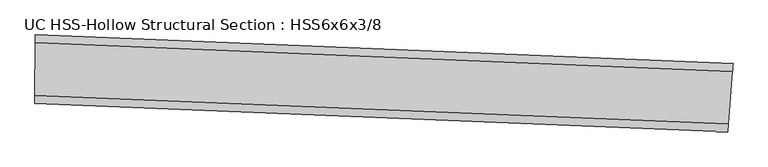
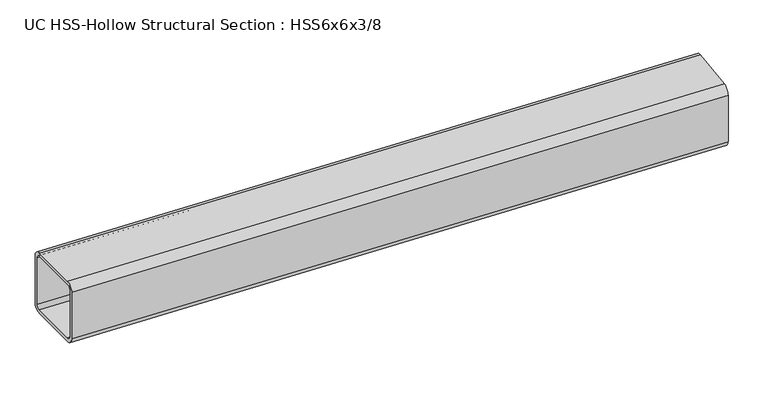
"""IFC4 building model written with IfcOpenShell, lengths in millimetres: beam geometry, UC HSS-Hollow Structural Section : HSS6x6x3/8."""

from ifc_helpers import new_model, si_unit, point, frame, origin, place, context, project, spatial, polyline, circle_curve, ellipse_curve, trimmed, source, transform, mapped, element, save
from ifc_brep_helpers import plane_surface, cylinder_surface, revolved_surface, advanced_brep


def uc_hss_hollow_structural_section_hss6x6x3_8_9d5a3dbd(model_context):
    return source(origin(), model_context, "Body", "AdvancedBrep", [
        advanced_brep(
        [(1618.15349, 12.2216797, 58.4708), (1616.7537291, -5.4521767, 76.2), (1607.5209218, -122.0287313, 76.2), (1606.1211608, -139.7025878, 58.4708), (1606.1211608, -139.7025878, -58.4708), (1607.5209218, -122.0287313, -76.2), (1616.7537291, -5.4521767, -76.2), (1618.15349, 12.2216797, -58.4708), (1607.5209218, -122.0287313, 67.3354), (1616.7537291, -5.4521767, 67.3354), (1617.4536095, 3.3847515, 58.4708), (1617.4536095, 3.3847515, -58.4708), (1616.7537291, -5.4521767, -67.3354), (1607.5209218, -122.0287313, -67.3354), (1606.8210413, -130.8656596, -58.4708), (1606.8210413, -130.8656596, 58.4708), (73.5028473, 76.0681972, 58.4708), (73.5028473, 76.0681972, -58.4708), (73.4392647, 58.3391112, -76.2), (73.0198745, -58.6017368, -76.2), (72.9562919, -76.3308228, -58.4708), (72.9562919, -76.3308228, 58.4708), (73.0198745, -58.6017368, 76.2), (73.4392647, 58.3391112, 76.2), (73.0198745, -58.6017368, 67.3354), (72.9880832, -67.4662798, 58.4708), (72.9880832, -67.4662798, -58.4708), (73.0198745, -58.6017368, -67.3354), (73.4392647, 58.3391112, -67.3354), (73.471056, 67.2036542, -58.4708), (73.471056, 67.2036542, 58.4708), (73.4392647, 58.3391112, 67.3354)],
        [
            (0, 1, circle_curve(frame((1616.7537291, -5.4521767, 58.4708), z_axis=(0.9968783956489994, -0.07895229121613344, 0.0), x_axis=(-0.07895229121613344, -0.9968783956489994, 0.0)), 17.7292)),
            (1, 2),
            (2, 3, circle_curve(frame((1607.5209218, -122.0287313, 58.4708), z_axis=(0.9968783956489994, -0.07895229121613344, 0.0), x_axis=(-0.07895229121613344, -0.9968783956489994, 0.0)), 17.7292)),
            (3, 4),
            (4, 5, circle_curve(frame((1607.5209218, -122.0287313, -58.4708), z_axis=(0.9968783956489994, -0.07895229121613344, 0.0), x_axis=(-0.07895229121613344, -0.9968783956489994, 0.0)), 17.7292)),
            (5, 6),
            (6, 7, circle_curve(frame((1616.7537291, -5.4521767, -58.4708), z_axis=(0.9968783956489994, -0.07895229121613344, 0.0), x_axis=(-0.07895229121613344, -0.9968783956489994, 0.0)), 17.7292)),
            (7, 0),
            (8, 9),
            (9, 10, circle_curve(frame((1616.7537291, -5.4521767, 58.4708), z_axis=(-0.9968783956489994, 0.07895229121613344, 0.0), x_axis=(-0.07895229121613344, -0.9968783956489994, 0.0)), 8.8646)),
            (10, 11),
            (11, 12, circle_curve(frame((1616.7537291, -5.4521767, -58.4708), z_axis=(-0.9968783956489994, 0.07895229121613344, 0.0), x_axis=(-0.07895229121613344, -0.9968783956489994, 0.0)), 8.8646)),
            (12, 13),
            (13, 14, circle_curve(frame((1607.5209218, -122.0287313, -58.4708), z_axis=(-0.9968783956489994, 0.07895229121613344, 0.0), x_axis=(-0.07895229121613344, -0.9968783956489994, 0.0)), 8.8646)),
            (14, 15),
            (15, 8, circle_curve(frame((1607.5209218, -122.0287313, 58.4708), z_axis=(-0.9968783956489994, 0.07895229121613344, 0.0), x_axis=(-0.07895229121613344, -0.9968783956489994, 0.0)), 8.8646)),
            (16, 17),
            (17, 18, circle_curve(frame((73.4392647, 58.3391112, -58.4708), z_axis=(-0.9999935691293671, 0.0035863212223408436, 0.0), x_axis=(-0.0035863212223408436, -0.9999935691293671, 0.0)), 17.7292)),
            (18, 19),
            (19, 20, circle_curve(frame((73.0198745, -58.6017368, -58.4708), z_axis=(-0.9999935691293671, 0.0035863212223408436, 0.0), x_axis=(-0.0035863212223408436, -0.9999935691293671, 0.0)), 17.7292)),
            (20, 21),
            (21, 22, circle_curve(frame((73.0198745, -58.6017368, 58.4708), z_axis=(-0.9999935691293671, 0.0035863212223408436, 0.0), x_axis=(-0.0035863212223408436, -0.9999935691293671, 0.0)), 17.7292)),
            (22, 23),
            (23, 16, circle_curve(frame((73.4392647, 58.3391112, 58.4708), z_axis=(-0.9999935691293671, 0.0035863212223408436, 0.0), x_axis=(-0.0035863212223408436, -0.9999935691293671, 0.0)), 17.7292)),
            (24, 25, circle_curve(frame((73.0198745, -58.6017368, 58.4708), z_axis=(0.9999935691293671, -0.0035863212223408436, 0.0), x_axis=(-0.0035863212223408436, -0.9999935691293671, 0.0)), 8.8646)),
            (25, 26),
            (26, 27, circle_curve(frame((73.0198745, -58.6017368, -58.4708), z_axis=(0.9999935691293671, -0.0035863212223408436, 0.0), x_axis=(-0.0035863212223408436, -0.9999935691293671, 0.0)), 8.8646)),
            (27, 28),
            (28, 29, circle_curve(frame((73.4392647, 58.3391112, -58.4708), z_axis=(0.9999935691293671, -0.0035863212223408436, 0.0), x_axis=(-0.0035863212223408436, -0.9999935691293671, 0.0)), 8.8646)),
            (29, 30),
            (30, 31, circle_curve(frame((73.4392647, 58.3391112, 58.4708), z_axis=(0.9999935691293671, -0.0035863212223408436, 0.0), x_axis=(-0.0035863212223408436, -0.9999935691293671, 0.0)), 8.8646)),
            (31, 24),
            (0, 16, circle_curve(frame((0.0, -20419.1328788, 58.4708), z_axis=(0.0, 0.0, 1.0), x_axis=(-0.09625855551847158, -0.9953563635650788, 0.0)), 20495.3328788)),
            (23, 1, circle_curve(frame((0.0, -20419.1328788, 76.2), z_axis=(0.0, 0.0, -1.0), x_axis=(-0.09625855551847158, -0.9953563635650788, 0.0)), 20477.6036788)),
            (22, 2, circle_curve(frame((0.0, -20419.1328788, 76.2), z_axis=(0.0, 0.0, -1.0), x_axis=(-0.09625855551847158, -0.9953563635650788, 0.0)), 20360.6620788)),
            (21, 3, circle_curve(frame((0.0, -20419.1328788, 58.4708), z_axis=(0.0, 0.0, -1.0), x_axis=(-0.09625855551847158, -0.9953563635650788, 0.0)), 20342.9328788)),
            (20, 4, circle_curve(frame((0.0, -20419.1328788, -58.4708), z_axis=(0.0, 0.0, -1.0), x_axis=(-0.09625855551847158, -0.9953563635650788, 0.0)), 20342.9328788)),
            (19, 5, circle_curve(frame((0.0, -20419.1328788, -76.2), z_axis=(0.0, 0.0, -1.0), x_axis=(-0.09625855551847158, -0.9953563635650788, 0.0)), 20360.6620788)),
            (18, 6, circle_curve(frame((0.0, -20419.1328788, -76.2), z_axis=(0.0, 0.0, -1.0), x_axis=(-0.09625855551847158, -0.9953563635650788, 0.0)), 20477.6036788)),
            (17, 7, circle_curve(frame((0.0, -20419.1328788, -58.4708), z_axis=(0.0, 0.0, -1.0), x_axis=(-0.09625855551847158, -0.9953563635650788, 0.0)), 20495.3328788)),
            (8, 24, circle_curve(frame((0.0, -20419.1328788, 67.3354), z_axis=(0.0, 0.0, 1.0), x_axis=(-0.09625855551847158, -0.9953563635650788, 0.0)), 20360.6620788)),
            (31, 9, circle_curve(frame((0.0, -20419.1328788, 67.3354), z_axis=(0.0, 0.0, -1.0), x_axis=(-0.09625855551847158, -0.9953563635650788, 0.0)), 20477.6036788)),
            (30, 10, circle_curve(frame((0.0, -20419.1328788, 58.4708), z_axis=(0.0, 0.0, -1.0), x_axis=(-0.09625855551847158, -0.9953563635650788, 0.0)), 20486.4682788)),
            (29, 11, circle_curve(frame((0.0, -20419.1328788, -58.4708), z_axis=(0.0, 0.0, -1.0), x_axis=(-0.09625855551847158, -0.9953563635650788, 0.0)), 20486.4682788)),
            (28, 12, circle_curve(frame((0.0, -20419.1328788, -67.3354), z_axis=(0.0, 0.0, -1.0), x_axis=(-0.09625855551847158, -0.9953563635650788, 0.0)), 20477.6036788)),
            (27, 13, circle_curve(frame((0.0, -20419.1328788, -67.3354), z_axis=(0.0, 0.0, -1.0), x_axis=(-0.09625855551847158, -0.9953563635650788, 0.0)), 20360.6620788)),
            (26, 14, circle_curve(frame((0.0, -20419.1328788, -58.4708), z_axis=(0.0, 0.0, -1.0), x_axis=(-0.09625855551847158, -0.9953563635650788, 0.0)), 20351.7974788)),
            (25, 15, circle_curve(frame((0.0, -20419.1328788, 58.4708), z_axis=(0.0, 0.0, -1.0), x_axis=(-0.09625855551847158, -0.9953563635650788, 0.0)), 20351.7974788)),
        ],
        [
            plane_surface(frame((1612.1373254, -63.740454, 0.0), z_axis=(0.9968783956489988, -0.07895229121613988, 0.0), x_axis=(0.0, 0.0, 1.0))),
            plane_surface(frame((73.2295696, -0.1313128, 0.0), z_axis=(-0.999993569129367, 0.0035863212223472968, 0.0), x_axis=(0.0, 0.0, 1.0))),
            revolved_surface(trimmed(ellipse_curve(frame((-1971.1445506, -40801.6460111, 58.4708), z_axis=(0.9953563635650795, -0.09625855551846516, 0.0), x_axis=(0.09625855551846516, 0.9953563635650795, 0.0)), 17.7292, 17.7292), [point((-1971.1445506, -40801.6460111, 76.2))], [point((-1972.8511378, -40819.2928831, 58.4708))], True, "CARTESIAN"), (0.0, -20419.1328788, 0.0), (0.0, 0.0, -1.0000000000000002)),
            plane_surface(frame((0.0, -20419.1328788, 76.2), z_axis=(0.0, 0.0, 1.0000000000000002), x_axis=(-0.09625855551847158, -0.9953563635650788, 0.0))),
            revolved_surface(trimmed(ellipse_curve(frame((-1959.8879211, -40685.2474453, 58.4708), z_axis=(0.9953563635650795, -0.09625855551846516, 0.0), x_axis=(0.09625855551846516, 0.9953563635650795, 0.0)), 17.7292, 17.7292), [point((-1958.1813339, -40667.6005733, 58.4708))], [point((-1959.8879211, -40685.2474453, 76.2))], True, "CARTESIAN"), (0.0, -20419.1328788, 0.0), (0.0, 0.0, -1.0000000000000002)),
            revolved_surface(polyline([(-1958.1813339225105, -40667.600573290845, -58.470800000000025), (-1958.1813339225105, -40667.600573290845, 58.470800000000025)]), (0.0, -20419.1328788, 0.0), (0.0, 0.0, -1.0000000000000002)),
            revolved_surface(trimmed(ellipse_curve(frame((-1959.8879211, -40685.2474453, -58.4708), z_axis=(0.9953563635650795, -0.09625855551846516, 0.0), x_axis=(0.09625855551846516, 0.9953563635650795, 0.0)), 17.7292, 17.7292), [point((-1959.8879211, -40685.2474453, -76.2))], [point((-1958.1813339, -40667.6005733, -58.4708))], True, "CARTESIAN"), (0.0, -20419.1328788, 0.0), (0.0, 0.0, -1.0000000000000002)),
            plane_surface(frame((0.0, -20419.1328788, -76.2), z_axis=(0.0, 0.0, -1.0000000000000002), x_axis=(-0.09625855551847158, -0.9953563635650788, 0.0))),
            revolved_surface(trimmed(ellipse_curve(frame((-1971.1445506, -40801.6460111, -58.4708), z_axis=(0.9953563635650795, -0.09625855551846516, 0.0), x_axis=(0.09625855551846516, 0.9953563635650795, 0.0)), 17.7292, 17.7292), [point((-1972.8511378, -40819.2928831, -58.4708))], [point((-1971.1445506, -40801.6460111, -76.2))], True, "CARTESIAN"), (0.0, -20419.1328788, 0.0), (0.0, 0.0, -1.0000000000000002)),
            cylinder_surface(frame((0.0, -20419.1328788, 0.0), z_axis=(0.0, 0.0, -1.0000000000000002), x_axis=(-0.09625855551847158, -0.9953563635650788, 0.0)), 20495.3328788),
            plane_surface(frame((0.0, -20419.1328788, 67.3354), z_axis=(0.0, 0.0, -1.0000000000000002), x_axis=(-0.09625855551847158, -0.9953563635650788, 0.0))),
            revolved_surface(trimmed(ellipse_curve(frame((-1971.1445506, -40801.6460111, 58.4708), z_axis=(-0.9953563635650795, 0.09625855551846516, 0.0), x_axis=(0.09625855551846516, 0.9953563635650795, 0.0)), 8.8646, 8.8646), [point((-1971.9978442, -40810.4694471, 58.4708))], [point((-1971.1445506, -40801.6460111, 67.3354))], True, "CARTESIAN"), (0.0, -20419.1328788, 0.0), (0.0, 0.0, -1.0000000000000002)),
            revolved_surface(polyline([(-1971.9978441922767, -40810.4694470777, -58.470800000000025), (-1971.9978441922767, -40810.4694470777, 58.470800000000025)]), (0.0, -20419.1328788, 0.0), (0.0, 0.0, -1.0000000000000002)),
            revolved_surface(trimmed(ellipse_curve(frame((-1971.1445506, -40801.6460111, -58.4708), z_axis=(-0.9953563635650795, 0.09625855551846516, 0.0), x_axis=(0.09625855551846516, 0.9953563635650795, 0.0)), 8.8646, 8.8646), [point((-1971.1445506, -40801.6460111, -67.3354))], [point((-1971.9978442, -40810.4694471, -58.4708))], True, "CARTESIAN"), (0.0, -20419.1328788, 0.0), (0.0, 0.0, -1.0000000000000002)),
            plane_surface(frame((0.0, -20419.1328788, -67.3354), z_axis=(0.0, 0.0, 1.0000000000000002), x_axis=(-0.09625855551847158, -0.9953563635650788, 0.0))),
            revolved_surface(trimmed(ellipse_curve(frame((-1959.8879211, -40685.2474453, -58.4708), z_axis=(-0.9953563635650795, 0.09625855551846516, 0.0), x_axis=(0.09625855551846516, 0.9953563635650795, 0.0)), 8.8646, 8.8646), [point((-1959.0346275, -40676.4240093, -58.4708))], [point((-1959.8879211, -40685.2474453, -67.3354))], True, "CARTESIAN"), (0.0, -20419.1328788, 0.0), (0.0, 0.0, -1.0000000000000002)),
            cylinder_surface(frame((0.0, -20419.1328788, 0.0), z_axis=(0.0, 0.0, -1.0000000000000002), x_axis=(-0.09625855551847158, -0.9953563635650788, 0.0)), 20351.7974788),
            revolved_surface(trimmed(ellipse_curve(frame((-1959.8879211, -40685.2474453, 58.4708), z_axis=(-0.9953563635650795, 0.09625855551846516, 0.0), x_axis=(0.09625855551846516, 0.9953563635650795, 0.0)), 8.8646, 8.8646), [point((-1959.8879211, -40685.2474453, 67.3354))], [point((-1959.0346275, -40676.4240093, 58.4708))], True, "CARTESIAN"), (0.0, -20419.1328788, 0.0), (0.0, 0.0, -1.0000000000000002)),
        ],
        [
            (0, [[1, 2, 3, 4, 5, 6, 7, 8], [9, 10, 11, 12, 13, 14, 15, 16]]),
            (1, [[17, 18, 19, 20, 21, 22, 23, 24], [25, 26, 27, 28, 29, 30, 31, 32]]),
            (2, [[-1, 33, -24, 34]]),
            (3, [[-2, -34, -23, 35]]),
            (4, [[-3, -35, -22, 36]]),
            (5, [[-4, -36, -21, 37]]),
            (6, [[-5, -37, -20, 38]]),
            (7, [[-6, -38, -19, 39]]),
            (8, [[-7, -39, -18, 40]]),
            (9, [[-8, -40, -17, -33]]),
            (10, [[-9, 41, -32, 42]]),
            (11, [[-10, -42, -31, 43]]),
            (12, [[-11, -43, -30, 44]]),
            (13, [[-12, -44, -29, 45]]),
            (14, [[-13, -45, -28, 46]]),
            (15, [[-14, -46, -27, 47]]),
            (16, [[-15, -47, -26, 48]]),
            (17, [[-16, -48, -25, -41]]),
        ],
    ),
    ])


if __name__ == "__main__":
    model = new_model("IFC4")
    model_context = context("Model", 3, world=origin())
    ifc_project = project(units=[si_unit("LENGTHUNIT", "METRE", prefix="MILLI")], contexts=[model_context])
    site = spatial("IfcSite", under=ifc_project)
    building = spatial("IfcBuilding", under=site)
    placement = place(None, origin())
    uc_hss_hollow_structural_section_hss6x6x3_8_shape = uc_hss_hollow_structural_section_hss6x6x3_8_9d5a3dbd(model_context)
    element("IfcBeam", 1, ObjectType="UC HSS-Hollow Structural Section : HSS6x6x3/8", at=placement, inside=building, context=model_context, shape_type="MappedRepresentation", body=[
        mapped(uc_hss_hollow_structural_section_hss6x6x3_8_shape, transform((0.0, 0.0, 0.0), x_axis=(1.0, 0.0, 0.0), y_axis=(0.0, 1.0, 0.0), z_axis=(0.0, 0.0, 1.0))),
    ])
    save(model, "model.ifc")
